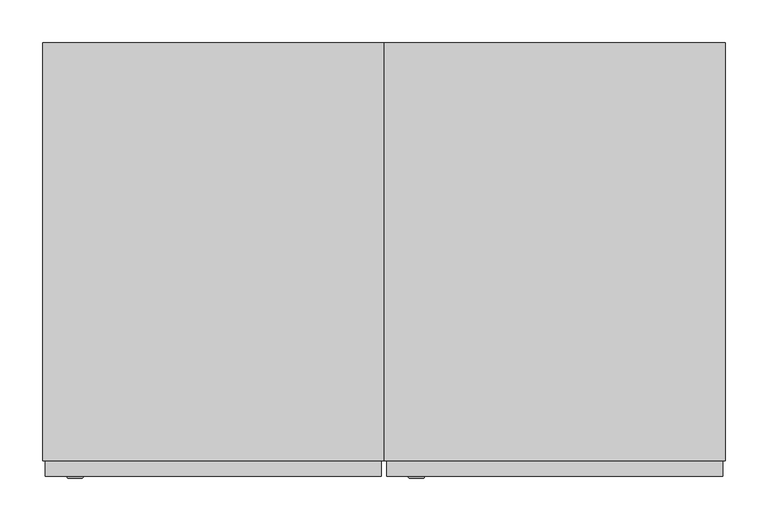
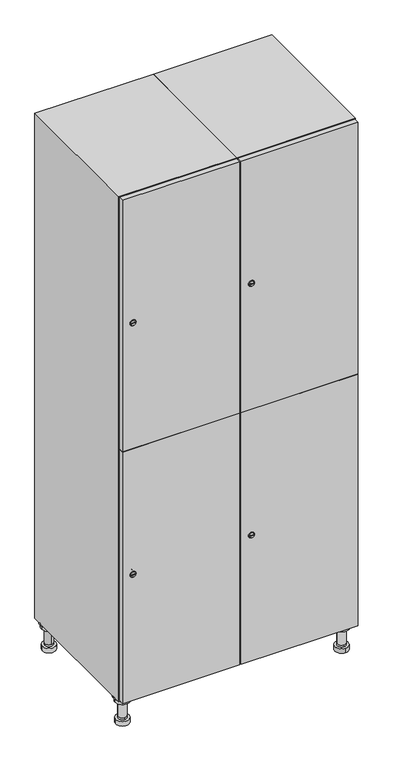
"""IFC4 building model written with IfcOpenShell, lengths in millimetres: furniture geometry."""

from ifc_helpers import new_model, si_unit, point, frame, frame_2d, origin, place, context, project, spatial, polyline, circle_curve, trimmed, segment, composite_curve, outline, extrude, faceted_brep, source, transform, mapped, element, save
from ifc_brep_helpers import plane_surface, cylinder_surface, revolved_surface, advanced_brep


def furniture_3b96239b(model_context):
    return source(origin(), model_context, "Body", "SolidModel", [
        advanced_brep(
        [(570.0, -201.0, 22.0), (570.0, -201.5, 16.0), (570.0, -228.5, 16.0), (570.0, -229.0, 22.0), (556.0, -215.0, 22.0), (584.0, -215.0, 22.0), (570.0, -192.5, 16.0), (570.0, -237.5, 16.0), (570.0, -192.5, 0.0), (570.0, -237.5, 0.0), (584.0, -215.0, 78.0), (556.0, -215.0, 78.0), (595.0, -215.0, 78.0), (545.0, -215.0, 78.0), (600.0, -215.0, 94.0), (540.0, -215.0, 94.0), (545.0, -215.0, 94.0), (595.0, -215.0, 94.0), (600.0, -215.0, 100.0), (540.0, -215.0, 100.0)],
        [
            (0, 1),
            (1, 2, circle_curve(frame((570.0, -215.0, 16.0), z_axis=(0.0, 0.0, 1.0), x_axis=(0.0, -1.0, 0.0)), 13.5)),
            (2, 3),
            (3, 4, circle_curve(frame((570.0, -215.0, 22.0), z_axis=(0.0, 0.0, -1.0), x_axis=(0.0, -1.0, 0.0)), 14.0)),
            (4, 0, circle_curve(frame((570.0, -215.0, 22.0), z_axis=(0.0, 0.0, -1.0), x_axis=(0.0, -1.0, 0.0)), 14.0)),
            (0, 5, circle_curve(frame((570.0, -215.0, 22.0), z_axis=(0.0, 0.0, -1.0), x_axis=(0.0, 1.0, 0.0)), 14.0)),
            (5, 3, circle_curve(frame((570.0, -215.0, 22.0), z_axis=(0.0, 0.0, -1.0), x_axis=(0.0, 1.0, 0.0)), 14.0)),
            (2, 1, circle_curve(frame((570.0, -215.0, 16.0), z_axis=(0.0, 0.0, 1.0), x_axis=(0.0, 1.0, 0.0)), 13.5)),
            (6, 7, circle_curve(frame((570.0, -215.0, 16.0), z_axis=(0.0, 0.0, 1.0), x_axis=(0.0, -1.0, 0.0)), 22.5)),
            (7, 6, circle_curve(frame((570.0, -215.0, 16.0), z_axis=(0.0, 0.0, 1.0), x_axis=(0.0, -1.0, 0.0)), 22.5)),
            (8, 9, circle_curve(frame((570.0, -215.0, 0.0), z_axis=(0.0, 0.0, -1.0), x_axis=(0.0, -1.0, 0.0)), 22.5)),
            (9, 8, circle_curve(frame((570.0, -215.0, 0.0), z_axis=(0.0, 0.0, -1.0), x_axis=(0.0, -1.0, 0.0)), 22.5)),
            (6, 8),
            (9, 7),
            (5, 10),
            (10, 11, circle_curve(frame((570.0, -215.0, 78.0), z_axis=(0.0, 0.0, -1.0), x_axis=(-1.0, 0.0, 0.0)), 14.0)),
            (11, 4),
            (11, 10, circle_curve(frame((570.0, -215.0, 78.0), z_axis=(0.0, 0.0, -1.0), x_axis=(-1.0, 0.0, 0.0)), 14.0)),
            (12, 13, circle_curve(frame((570.0, -215.0, 78.0), z_axis=(0.0, 0.0, -1.0), x_axis=(-1.0, 0.0, 0.0)), 25.0)),
            (13, 12, circle_curve(frame((570.0, -215.0, 78.0), z_axis=(0.0, 0.0, -1.0), x_axis=(-1.0, 0.0, 0.0)), 25.0)),
            (14, 15, circle_curve(frame((570.0, -215.0, 94.0), z_axis=(0.0, 0.0, -1.0), x_axis=(-1.0, 0.0, 0.0)), 30.0)),
            (15, 14, circle_curve(frame((570.0, -215.0, 94.0), z_axis=(0.0, 0.0, -1.0), x_axis=(-1.0, 0.0, 0.0)), 30.0)),
            (16, 17, circle_curve(frame((570.0, -215.0, 94.0), z_axis=(0.0, 0.0, 1.0), x_axis=(-1.0, 0.0, 0.0)), 25.0)),
            (17, 16, circle_curve(frame((570.0, -215.0, 94.0), z_axis=(0.0, 0.0, 1.0), x_axis=(-1.0, 0.0, 0.0)), 25.0)),
            (18, 19, circle_curve(frame((570.0, -215.0, 100.0), z_axis=(0.0, 0.0, 1.0), x_axis=(-1.0, 0.0, 0.0)), 30.0)),
            (19, 18, circle_curve(frame((570.0, -215.0, 100.0), z_axis=(0.0, 0.0, 1.0), x_axis=(-1.0, 0.0, 0.0)), 30.0)),
            (14, 18),
            (19, 15),
            (12, 17),
            (16, 13),
        ],
        [
            revolved_surface(polyline([(570.0, -201.5, 16.0), (570.0, -201.0, 22.0)]), (570.0, -215.0, -146.0), (0.0, 0.0, 1.0)),
            plane_surface(frame((570.0, 0.0, 16.0), z_axis=(0.0, 0.0, 1.0), x_axis=(0.0, -1.0, 0.0))),
            plane_surface(frame((570.0, 0.0, 0.0), z_axis=(0.0, 0.0, -1.0), x_axis=(0.0, -1.0, 0.0))),
            cylinder_surface(frame((570.0, -215.0, 16.0), z_axis=(0.0, 0.0, 1.0), x_axis=(0.0, -1.0, 0.0)), 22.5),
            cylinder_surface(frame((570.0, -215.0, 22.0), z_axis=(0.0, 0.0, -1.0), x_axis=(-1.0, 0.0, 0.0)), 14.0),
            plane_surface(frame((570.0, 0.0, 78.0), z_axis=(0.0, 0.0, -1.0), x_axis=(0.0, -1.0, 0.0))),
            plane_surface(frame((570.0, 0.0, 94.0), z_axis=(0.0, 0.0, -1.0), x_axis=(0.0, -1.0, 0.0))),
            plane_surface(frame((570.0, 0.0, 100.0), z_axis=(0.0, 0.0, 1.0), x_axis=(0.0, -1.0, 0.0))),
            cylinder_surface(frame((570.0, -215.0, 94.0), z_axis=(0.0, 0.0, -1.0), x_axis=(-1.0, 0.0, 0.0)), 30.0),
            cylinder_surface(frame((570.0, -215.0, 78.0), z_axis=(0.0, 0.0, -1.0), x_axis=(-1.0, 0.0, 0.0)), 25.0),
        ],
        [
            (0, [[1, 2, 3, 4, 5]]),
            (0, [[-1, 6, 7, -3, 8]]),
            (1, [[9, 10], [-2, -8]]),
            (2, [[11, 12]]),
            (3, [[-9, 13, -12, 14]]),
            (3, [[-10, -14, -11, -13]]),
            (4, [[15, 16, 17, -4, -7]]),
            (4, [[-15, -6, -5, -17, 18]]),
            (5, [[19, 20], [-16, -18]]),
            (6, [[21, 22], [23, 24]]),
            (7, [[25, 26]]),
            (8, [[-21, 27, -26, 28]]),
            (8, [[-22, -28, -25, -27]]),
            (9, [[-19, 29, -23, 30]]),
            (9, [[-20, -30, -24, -29]]),
        ],
    ),
        advanced_brep(
        [(-170.0, -201.0, 22.0), (-170.0, -201.5, 16.0), (-170.0, -228.5, 16.0), (-170.0, -229.0, 22.0), (-184.0, -215.0, 22.0), (-156.0, -215.0, 22.0), (-147.5, -215.0, 0.0), (-192.5, -215.0, 0.0), (-147.5, -215.0, 16.0), (-192.5, -215.0, 16.0), (-156.0, -215.0, 78.0), (-184.0, -215.0, 78.0), (-145.0, -215.0, 78.0), (-195.0, -215.0, 78.0), (-140.0, -215.0, 94.0), (-200.0, -215.0, 94.0), (-195.0, -215.0, 94.0), (-145.0, -215.0, 94.0), (-140.0, -215.0, 100.0), (-200.0, -215.0, 100.0)],
        [
            (0, 1),
            (1, 2, circle_curve(frame((-170.0, -215.0, 16.0), z_axis=(0.0, 0.0, 1.0), x_axis=(0.0, -1.0, 0.0)), 13.5)),
            (2, 3),
            (3, 4, circle_curve(frame((-170.0, -215.0, 22.0), z_axis=(0.0, 0.0, -1.0), x_axis=(0.0, -1.0, 0.0)), 14.0)),
            (4, 0, circle_curve(frame((-170.0, -215.0, 22.0), z_axis=(0.0, 0.0, -1.0), x_axis=(0.0, -1.0, 0.0)), 14.0)),
            (0, 5, circle_curve(frame((-170.0, -215.0, 22.0), z_axis=(0.0, 0.0, -1.0), x_axis=(0.0, 1.0, 0.0)), 14.0)),
            (5, 3, circle_curve(frame((-170.0, -215.0, 22.0), z_axis=(0.0, 0.0, -1.0), x_axis=(0.0, 1.0, 0.0)), 14.0)),
            (2, 1, circle_curve(frame((-170.0, -215.0, 16.0), z_axis=(0.0, 0.0, 1.0), x_axis=(0.0, 1.0, 0.0)), 13.5)),
            (6, 7, circle_curve(frame((-170.0, -215.0, 0.0), z_axis=(0.0, 0.0, -1.0), x_axis=(-1.0, 0.0, 0.0)), 22.5)),
            (7, 6, circle_curve(frame((-170.0, -215.0, 0.0), z_axis=(0.0, 0.0, -1.0), x_axis=(-1.0, 0.0, 0.0)), 22.5)),
            (8, 9, circle_curve(frame((-170.0, -215.0, 16.0), z_axis=(0.0, 0.0, 1.0), x_axis=(-1.0, 0.0, 0.0)), 22.5)),
            (9, 8, circle_curve(frame((-170.0, -215.0, 16.0), z_axis=(0.0, 0.0, 1.0), x_axis=(-1.0, 0.0, 0.0)), 22.5)),
            (6, 8),
            (9, 7),
            (5, 10),
            (10, 11, circle_curve(frame((-170.0, -215.0, 78.0), z_axis=(0.0, 0.0, -1.0), x_axis=(-1.0, 0.0, 0.0)), 14.0)),
            (11, 4),
            (11, 10, circle_curve(frame((-170.0, -215.0, 78.0), z_axis=(0.0, 0.0, -1.0), x_axis=(-1.0, 0.0, 0.0)), 14.0)),
            (12, 13, circle_curve(frame((-170.0, -215.0, 78.0), z_axis=(0.0, 0.0, -1.0), x_axis=(-1.0, 0.0, 0.0)), 25.0)),
            (13, 12, circle_curve(frame((-170.0, -215.0, 78.0), z_axis=(0.0, 0.0, -1.0), x_axis=(-1.0, 0.0, 0.0)), 25.0)),
            (14, 15, circle_curve(frame((-170.0, -215.0, 94.0), z_axis=(0.0, 0.0, -1.0), x_axis=(-1.0, 0.0, 0.0)), 30.0)),
            (15, 14, circle_curve(frame((-170.0, -215.0, 94.0), z_axis=(0.0, 0.0, -1.0), x_axis=(-1.0, 0.0, 0.0)), 30.0)),
            (16, 17, circle_curve(frame((-170.0, -215.0, 94.0), z_axis=(0.0, 0.0, 1.0), x_axis=(-1.0, 0.0, 0.0)), 25.0)),
            (17, 16, circle_curve(frame((-170.0, -215.0, 94.0), z_axis=(0.0, 0.0, 1.0), x_axis=(-1.0, 0.0, 0.0)), 25.0)),
            (18, 19, circle_curve(frame((-170.0, -215.0, 100.0), z_axis=(0.0, 0.0, 1.0), x_axis=(-1.0, 0.0, 0.0)), 30.0)),
            (19, 18, circle_curve(frame((-170.0, -215.0, 100.0), z_axis=(0.0, 0.0, 1.0), x_axis=(-1.0, 0.0, 0.0)), 30.0)),
            (14, 18),
            (19, 15),
            (12, 17),
            (16, 13),
        ],
        [
            revolved_surface(polyline([(-170.0, -201.5, 16.0), (-170.0, -201.0, 22.0)]), (-170.0, -215.0, -146.0), (0.0, 0.0, 1.0)),
            plane_surface(frame((-170.0, 0.0, 0.0), z_axis=(0.0, 0.0, -1.0), x_axis=(0.0, -1.0, 0.0))),
            plane_surface(frame((-170.0, 0.0, 16.0), z_axis=(0.0, 0.0, 1.0), x_axis=(0.0, -1.0, 0.0))),
            cylinder_surface(frame((-170.0, -215.0, 0.0), z_axis=(0.0, 0.0, -1.0), x_axis=(-1.0, 0.0, 0.0)), 22.5),
            cylinder_surface(frame((-170.0, -215.0, 22.0), z_axis=(0.0, 0.0, -1.0), x_axis=(-1.0, 0.0, 0.0)), 14.0),
            plane_surface(frame((-170.0, 0.0, 78.0), z_axis=(0.0, 0.0, -1.0), x_axis=(0.0, -1.0, 0.0))),
            plane_surface(frame((-170.0, 0.0, 94.0), z_axis=(0.0, 0.0, -1.0), x_axis=(0.0, -1.0, 0.0))),
            plane_surface(frame((-170.0, 0.0, 100.0), z_axis=(0.0, 0.0, 1.0), x_axis=(0.0, -1.0, 0.0))),
            cylinder_surface(frame((-170.0, -215.0, 94.0), z_axis=(0.0, 0.0, -1.0), x_axis=(-1.0, 0.0, 0.0)), 30.0),
            cylinder_surface(frame((-170.0, -215.0, 78.0), z_axis=(0.0, 0.0, -1.0), x_axis=(-1.0, 0.0, 0.0)), 25.0),
        ],
        [
            (0, [[1, 2, 3, 4, 5]]),
            (0, [[-1, 6, 7, -3, 8]]),
            (1, [[9, 10]]),
            (2, [[11, 12], [-2, -8]]),
            (3, [[-9, 13, -12, 14]]),
            (3, [[-10, -14, -11, -13]]),
            (4, [[15, 16, 17, -4, -7]]),
            (4, [[-15, -6, -5, -17, 18]]),
            (5, [[19, 20], [-16, -18]]),
            (6, [[21, 22], [23, 24]]),
            (7, [[25, 26]]),
            (8, [[-21, 27, -26, 28]]),
            (8, [[-22, -28, -25, -27]]),
            (9, [[-19, 29, -23, 30]]),
            (9, [[-20, -30, -24, -29]]),
        ],
    ),
        advanced_brep(
        [(583.5, 215.0, 16.0), (584.0, 215.0, 22.0), (556.0, 215.0, 22.0), (556.5, 215.0, 16.0), (592.5, 215.0, 0.0), (547.5, 215.0, 0.0), (592.5, 215.0, 16.0), (547.5, 215.0, 16.0), (584.0, 215.0, 78.0), (556.0, 215.0, 78.0), (595.0, 215.0, 78.0), (545.0, 215.0, 78.0), (600.0, 215.0, 94.0), (540.0, 215.0, 94.0), (545.0, 215.0, 94.0), (595.0, 215.0, 94.0), (600.0, 215.0, 100.0), (540.0, 215.0, 100.0)],
        [
            (0, 1),
            (1, 2, circle_curve(frame((570.0, 215.0, 22.0), z_axis=(0.0, 0.0, -1.0), x_axis=(-1.0, 0.0, 0.0)), 14.0)),
            (2, 3),
            (3, 0, circle_curve(frame((570.0, 215.0, 16.0), z_axis=(0.0, 0.0, 1.0), x_axis=(-1.0, 0.0, 0.0)), 13.5)),
            (0, 3, circle_curve(frame((570.0, 215.0, 16.0), z_axis=(0.0, 0.0, 1.0), x_axis=(1.0, 0.0, 0.0)), 13.5)),
            (2, 1, circle_curve(frame((570.0, 215.0, 22.0), z_axis=(0.0, 0.0, -1.0), x_axis=(1.0, 0.0, 0.0)), 14.0)),
            (4, 5, circle_curve(frame((570.0, 215.0, 0.0), z_axis=(0.0, 0.0, -1.0), x_axis=(-1.0, 0.0, 0.0)), 22.5)),
            (5, 4, circle_curve(frame((570.0, 215.0, 0.0), z_axis=(0.0, 0.0, -1.0), x_axis=(-1.0, 0.0, 0.0)), 22.5)),
            (6, 7, circle_curve(frame((570.0, 215.0, 16.0), z_axis=(0.0, 0.0, 1.0), x_axis=(-1.0, 0.0, 0.0)), 22.5)),
            (7, 6, circle_curve(frame((570.0, 215.0, 16.0), z_axis=(0.0, 0.0, 1.0), x_axis=(-1.0, 0.0, 0.0)), 22.5)),
            (4, 6),
            (7, 5),
            (1, 8),
            (8, 9, circle_curve(frame((570.0, 215.0, 78.0), z_axis=(0.0, 0.0, -1.0), x_axis=(-1.0, 0.0, 0.0)), 14.0)),
            (9, 2),
            (9, 8, circle_curve(frame((570.0, 215.0, 78.0), z_axis=(0.0, 0.0, -1.0), x_axis=(-1.0, 0.0, 0.0)), 14.0)),
            (10, 11, circle_curve(frame((570.0, 215.0, 78.0), z_axis=(0.0, 0.0, -1.0), x_axis=(-1.0, 0.0, 0.0)), 25.0)),
            (11, 10, circle_curve(frame((570.0, 215.0, 78.0), z_axis=(0.0, 0.0, -1.0), x_axis=(-1.0, 0.0, 0.0)), 25.0)),
            (12, 13, circle_curve(frame((570.0, 215.0, 94.0), z_axis=(0.0, 0.0, -1.0), x_axis=(-1.0, 0.0, 0.0)), 30.0)),
            (13, 12, circle_curve(frame((570.0, 215.0, 94.0), z_axis=(0.0, 0.0, -1.0), x_axis=(-1.0, 0.0, 0.0)), 30.0)),
            (14, 15, circle_curve(frame((570.0, 215.0, 94.0), z_axis=(0.0, 0.0, 1.0), x_axis=(-1.0, 0.0, 0.0)), 25.0)),
            (15, 14, circle_curve(frame((570.0, 215.0, 94.0), z_axis=(0.0, 0.0, 1.0), x_axis=(-1.0, 0.0, 0.0)), 25.0)),
            (16, 17, circle_curve(frame((570.0, 215.0, 100.0), z_axis=(0.0, 0.0, 1.0), x_axis=(-1.0, 0.0, 0.0)), 30.0)),
            (17, 16, circle_curve(frame((570.0, 215.0, 100.0), z_axis=(0.0, 0.0, 1.0), x_axis=(-1.0, 0.0, 0.0)), 30.0)),
            (12, 16),
            (17, 13),
            (10, 15),
            (14, 11),
        ],
        [
            revolved_surface(polyline([(583.5, 215.0, 16.0), (584.0, 215.0, 22.0)]), (570.0, 215.0, -146.0), (0.0, 0.0, 1.0)),
            plane_surface(frame((570.0, 0.0, 0.0), z_axis=(0.0, 0.0, -1.0), x_axis=(0.0, -1.0, 0.0))),
            plane_surface(frame((570.0, 0.0, 16.0), z_axis=(0.0, 0.0, 1.0), x_axis=(0.0, -1.0, 0.0))),
            cylinder_surface(frame((570.0, 215.0, 0.0), z_axis=(0.0, 0.0, -1.0), x_axis=(-1.0, 0.0, 0.0)), 22.5),
            cylinder_surface(frame((570.0, 215.0, 22.0), z_axis=(0.0, 0.0, -1.0), x_axis=(-1.0, 0.0, 0.0)), 14.0),
            plane_surface(frame((570.0, 0.0, 78.0), z_axis=(0.0, 0.0, -1.0), x_axis=(0.0, -1.0, 0.0))),
            plane_surface(frame((570.0, 0.0, 94.0), z_axis=(0.0, 0.0, -1.0), x_axis=(0.0, -1.0, 0.0))),
            plane_surface(frame((570.0, 0.0, 100.0), z_axis=(0.0, 0.0, 1.0), x_axis=(0.0, -1.0, 0.0))),
            cylinder_surface(frame((570.0, 215.0, 94.0), z_axis=(0.0, 0.0, -1.0), x_axis=(-1.0, 0.0, 0.0)), 30.0),
            cylinder_surface(frame((570.0, 215.0, 78.0), z_axis=(0.0, 0.0, -1.0), x_axis=(-1.0, 0.0, 0.0)), 25.0),
        ],
        [
            (0, [[1, 2, 3, 4]]),
            (0, [[-1, 5, -3, 6]]),
            (1, [[7, 8]]),
            (2, [[9, 10], [-4, -5]]),
            (3, [[-7, 11, -10, 12]]),
            (3, [[-8, -12, -9, -11]]),
            (4, [[13, 14, 15, -2]]),
            (4, [[-13, -6, -15, 16]]),
            (5, [[17, 18], [-14, -16]]),
            (6, [[19, 20], [21, 22]]),
            (7, [[23, 24]]),
            (8, [[-19, 25, -24, 26]]),
            (8, [[-20, -26, -23, -25]]),
            (9, [[-17, 27, -21, 28]]),
            (9, [[-18, -28, -22, -27]]),
        ],
    ),
        advanced_brep(
        [(-156.5, 215.0, 16.0), (-156.0, 215.0, 22.0), (-170.0, 201.0, 22.0), (-184.0, 215.0, 22.0), (-183.5, 215.0, 16.0), (-170.0, 229.0, 22.0), (-147.5, 215.0, 0.0), (-192.5, 215.0, 0.0), (-147.5, 215.0, 16.0), (-192.5, 215.0, 16.0), (-170.0, 229.0, 78.0), (-170.0, 201.0, 78.0), (-145.0, 215.0, 78.0), (-195.0, 215.0, 78.0), (-140.0, 215.0, 94.0), (-200.0, 215.0, 94.0), (-195.0, 215.0, 94.0), (-145.0, 215.0, 94.0), (-140.0, 215.0, 100.0), (-200.0, 215.0, 100.0)],
        [
            (0, 1),
            (1, 2, circle_curve(frame((-170.0, 215.0, 22.0), z_axis=(0.0, 0.0, -1.0), x_axis=(-1.0, 0.0, 0.0)), 14.0)),
            (2, 3, circle_curve(frame((-170.0, 215.0, 22.0), z_axis=(0.0, 0.0, -1.0), x_axis=(-1.0, 0.0, 0.0)), 14.0)),
            (3, 4),
            (4, 0, circle_curve(frame((-170.0, 215.0, 16.0), z_axis=(0.0, 0.0, 1.0), x_axis=(-1.0, 0.0, 0.0)), 13.5)),
            (0, 4, circle_curve(frame((-170.0, 215.0, 16.0), z_axis=(0.0, 0.0, 1.0), x_axis=(1.0, 0.0, 0.0)), 13.5)),
            (3, 5, circle_curve(frame((-170.0, 215.0, 22.0), z_axis=(0.0, 0.0, -1.0), x_axis=(1.0, 0.0, 0.0)), 14.0)),
            (5, 1, circle_curve(frame((-170.0, 215.0, 22.0), z_axis=(0.0, 0.0, -1.0), x_axis=(1.0, 0.0, 0.0)), 14.0)),
            (6, 7, circle_curve(frame((-170.0, 215.0, 0.0), z_axis=(0.0, 0.0, -1.0), x_axis=(-1.0, 0.0, 0.0)), 22.5)),
            (7, 6, circle_curve(frame((-170.0, 215.0, 0.0), z_axis=(0.0, 0.0, -1.0), x_axis=(-1.0, 0.0, 0.0)), 22.5)),
            (8, 9, circle_curve(frame((-170.0, 215.0, 16.0), z_axis=(0.0, 0.0, 1.0), x_axis=(-1.0, 0.0, 0.0)), 22.5)),
            (9, 8, circle_curve(frame((-170.0, 215.0, 16.0), z_axis=(0.0, 0.0, 1.0), x_axis=(-1.0, 0.0, 0.0)), 22.5)),
            (6, 8),
            (9, 7),
            (10, 5),
            (2, 11),
            (11, 10, circle_curve(frame((-170.0, 215.0, 78.0), z_axis=(0.0, 0.0, -1.0), x_axis=(0.0, -1.0, 0.0)), 14.0)),
            (10, 11, circle_curve(frame((-170.0, 215.0, 78.0), z_axis=(0.0, 0.0, -1.0), x_axis=(0.0, -1.0, 0.0)), 14.0)),
            (12, 13, circle_curve(frame((-170.0, 215.0, 78.0), z_axis=(0.0, 0.0, -1.0), x_axis=(-1.0, 0.0, 0.0)), 25.0)),
            (13, 12, circle_curve(frame((-170.0, 215.0, 78.0), z_axis=(0.0, 0.0, -1.0), x_axis=(-1.0, 0.0, 0.0)), 25.0)),
            (14, 15, circle_curve(frame((-170.0, 215.0, 94.0), z_axis=(0.0, 0.0, -1.0), x_axis=(-1.0, 0.0, 0.0)), 30.0)),
            (15, 14, circle_curve(frame((-170.0, 215.0, 94.0), z_axis=(0.0, 0.0, -1.0), x_axis=(-1.0, 0.0, 0.0)), 30.0)),
            (16, 17, circle_curve(frame((-170.0, 215.0, 94.0), z_axis=(0.0, 0.0, 1.0), x_axis=(-1.0, 0.0, 0.0)), 25.0)),
            (17, 16, circle_curve(frame((-170.0, 215.0, 94.0), z_axis=(0.0, 0.0, 1.0), x_axis=(-1.0, 0.0, 0.0)), 25.0)),
            (18, 19, circle_curve(frame((-170.0, 215.0, 100.0), z_axis=(0.0, 0.0, 1.0), x_axis=(-1.0, 0.0, 0.0)), 30.0)),
            (19, 18, circle_curve(frame((-170.0, 215.0, 100.0), z_axis=(0.0, 0.0, 1.0), x_axis=(-1.0, 0.0, 0.0)), 30.0)),
            (14, 18),
            (19, 15),
            (12, 17),
            (16, 13),
        ],
        [
            revolved_surface(polyline([(-156.5, 215.0, 16.0), (-156.0, 215.0, 22.0)]), (-170.0, 215.0, -146.0), (0.0, 0.0, 1.0)),
            plane_surface(frame((-170.0, 0.0, 0.0), z_axis=(0.0, 0.0, -1.0), x_axis=(0.0, -1.0, 0.0))),
            plane_surface(frame((-170.0, 0.0, 16.0), z_axis=(0.0, 0.0, 1.0), x_axis=(0.0, -1.0, 0.0))),
            cylinder_surface(frame((-170.0, 215.0, 0.0), z_axis=(0.0, 0.0, -1.0), x_axis=(-1.0, 0.0, 0.0)), 22.5),
            cylinder_surface(frame((-170.0, 215.0, 78.0), z_axis=(0.0, 0.0, 1.0), x_axis=(0.0, -1.0, 0.0)), 14.0),
            plane_surface(frame((-170.0, 0.0, 78.0), z_axis=(0.0, 0.0, -1.0), x_axis=(0.0, -1.0, 0.0))),
            plane_surface(frame((-170.0, 0.0, 94.0), z_axis=(0.0, 0.0, -1.0), x_axis=(0.0, -1.0, 0.0))),
            plane_surface(frame((-170.0, 0.0, 100.0), z_axis=(0.0, 0.0, 1.0), x_axis=(0.0, -1.0, 0.0))),
            cylinder_surface(frame((-170.0, 215.0, 94.0), z_axis=(0.0, 0.0, -1.0), x_axis=(-1.0, 0.0, 0.0)), 30.0),
            cylinder_surface(frame((-170.0, 215.0, 78.0), z_axis=(0.0, 0.0, -1.0), x_axis=(-1.0, 0.0, 0.0)), 25.0),
        ],
        [
            (0, [[1, 2, 3, 4, 5]]),
            (0, [[-1, 6, -4, 7, 8]]),
            (1, [[9, 10]]),
            (2, [[11, 12], [-5, -6]]),
            (3, [[-9, 13, -12, 14]]),
            (3, [[-10, -14, -11, -13]]),
            (4, [[15, -7, -3, 16, 17]]),
            (4, [[-15, 18, -16, -2, -8]]),
            (5, [[19, 20], [-17, -18]]),
            (6, [[21, 22], [23, 24]]),
            (7, [[25, 26]]),
            (8, [[-21, 27, -26, 28]]),
            (8, [[-22, -28, -25, -27]]),
            (9, [[-19, 29, -23, 30]]),
            (9, [[-20, -30, -24, -29]]),
        ],
    ),
        extrude(outline(composite_curve([segment(trimmed(circle_curve(frame_2d((551.5, 211.2010534)), 7.0), [point((558.5, 211.2010534))], [point((544.5, 211.2010534))], False, "CARTESIAN"), True, "CONTINUOUS"), segment(polyline([(544.5, 211.2010534), (544.5, 239.2010534)]), True, "CONTINUOUS"), segment(trimmed(circle_curve(frame_2d((551.5, 239.2010534)), 7.0), [point((544.5, 239.2010534))], [point((558.5, 239.2010534))], False, "CARTESIAN"), True, "CONTINUOUS"), segment(polyline([(558.5, 239.2010534), (558.5, 211.2010534)]), True, "CONTINUOUS")], self_intersect=False)), frame((0.0, -245.0, 0.0), z_axis=(0.0, 1.0, 0.0), x_axis=(0.0, 0.0, 1.0)), (0.0, 0.0, 1.0), 2.0),
        advanced_brep(
        [(246.5, -265.2, 551.5), (229.5, -265.2, 551.5), (233.0, -265.2, 550.25), (233.0, -265.2, 552.75), (243.0, -265.2, 552.75), (243.0, -265.2, 550.25), (248.5, -263.0, 551.5), (227.5, -263.0, 551.5), (233.0, -263.0, 552.75), (233.0, -263.0, 550.25), (243.0, -263.0, 550.25), (243.0, -263.0, 552.75)],
        [
            (0, 1, circle_curve(frame((238.0, -265.2, 551.5), z_axis=(0.0, -1.0, 0.0), x_axis=(1.0, 0.0, 0.0)), 8.5)),
            (1, 0, circle_curve(frame((238.0, -265.2, 551.5), z_axis=(0.0, -1.0, 0.0), x_axis=(-1.0, 0.0, 0.0)), 8.5)),
            (2, 3),
            (3, 4),
            (4, 5),
            (5, 2),
            (6, 7, circle_curve(frame((238.0, -263.0, 551.5), z_axis=(0.0, 1.0, 0.0), x_axis=(-1.0, 0.0, 0.0)), 10.5)),
            (7, 6, circle_curve(frame((238.0, -263.0, 551.5), z_axis=(0.0, 1.0, 0.0), x_axis=(1.0, 0.0, 0.0)), 10.5)),
            (8, 9),
            (9, 10),
            (10, 11),
            (11, 8),
            (0, 6),
            (7, 1),
            (8, 3),
            (2, 9),
            (11, 4),
            (10, 5),
        ],
        [
            plane_surface(frame((238.0, -265.2, 551.5), z_axis=(0.0, -1.0, 0.0), x_axis=(0.0, 0.0, 1.0))),
            plane_surface(frame((238.0, -263.0, 551.5), z_axis=(0.0, 1.0, 0.0), x_axis=(0.0, 0.0, 1.0))),
            revolved_surface(polyline([(246.5, -265.2, 551.5), (248.5, -263.0, 551.5)]), (238.0, -274.55, 551.5), (0.0, 1.0, 0.0)),
            revolved_surface(polyline([(229.5, -265.2, 551.5), (227.5, -263.0, 551.5)]), (238.0, -274.55, 551.5), (0.0, 1.0, 0.0)),
            plane_surface(frame((233.0, -263.0, 550.25), z_axis=(1.0, 0.0, 0.0), x_axis=(0.0, -1.0, 0.0))),
            plane_surface(frame((233.0, -263.0, 552.75), z_axis=(0.0, 0.0, -1.0), x_axis=(0.0, -1.0, 0.0))),
            plane_surface(frame((243.0, -263.0, 552.75), z_axis=(-1.0, 0.0, 0.0), x_axis=(0.0, -1.0, 0.0))),
            plane_surface(frame((243.0, -263.0, 550.25), z_axis=(0.0, 0.0, 1.0), x_axis=(0.0, -1.0, 0.0))),
        ],
        [
            (0, [[1, 2], [3, 4, 5, 6]]),
            (1, [[7, 8], [9, 10, 11, 12]]),
            (2, [[-1, 13, -8, 14]]),
            (3, [[-2, -14, -7, -13]]),
            (4, [[15, -3, 16, -9]]),
            (5, [[-15, -12, 17, -4]]),
            (6, [[-17, -11, 18, -5]]),
            (7, [[-16, -6, -18, -10]]),
        ],
    ),
        extrude(outline(composite_curve([segment(trimmed(circle_curve(frame_2d((1448.5, 211.2010534)), 7.0), [point((1455.5, 211.2010534))], [point((1441.5, 211.2010534))], False, "CARTESIAN"), True, "CONTINUOUS"), segment(polyline([(1441.5, 211.2010534), (1441.5, 239.2010534)]), True, "CONTINUOUS"), segment(trimmed(circle_curve(frame_2d((1448.5, 239.2010534)), 7.0), [point((1441.5, 239.2010534))], [point((1455.5, 239.2010534))], False, "CARTESIAN"), True, "CONTINUOUS"), segment(polyline([(1455.5, 239.2010534), (1455.5, 211.2010534)]), True, "CONTINUOUS")], self_intersect=False)), frame((0.0, -245.0, 0.0), z_axis=(0.0, 1.0, 0.0), x_axis=(0.0, 0.0, 1.0)), (0.0, 0.0, 1.0), 2.0),
        advanced_brep(
        [(246.5, -265.2, 1448.5), (229.5, -265.2, 1448.5), (233.0, -265.2, 1447.25), (233.0, -265.2, 1449.75), (243.0, -265.2, 1449.75), (243.0, -265.2, 1447.25), (248.5, -263.0, 1448.5), (227.5, -263.0, 1448.5), (233.0, -263.0, 1449.75), (233.0, -263.0, 1447.25), (243.0, -263.0, 1447.25), (243.0, -263.0, 1449.75)],
        [
            (0, 1, circle_curve(frame((238.0, -265.2, 1448.5), z_axis=(0.0, -1.0, 0.0), x_axis=(1.0, 0.0, 0.0)), 8.5)),
            (1, 0, circle_curve(frame((238.0, -265.2, 1448.5), z_axis=(0.0, -1.0, 0.0), x_axis=(-1.0, 0.0, 0.0)), 8.5)),
            (2, 3),
            (3, 4),
            (4, 5),
            (5, 2),
            (6, 7, circle_curve(frame((238.0, -263.0, 1448.5), z_axis=(0.0, 1.0, 0.0), x_axis=(-1.0, 0.0, 0.0)), 10.5)),
            (7, 6, circle_curve(frame((238.0, -263.0, 1448.5), z_axis=(0.0, 1.0, 0.0), x_axis=(1.0, 0.0, 0.0)), 10.5)),
            (8, 9),
            (9, 10),
            (10, 11),
            (11, 8),
            (0, 6),
            (7, 1),
            (8, 3),
            (2, 9),
            (11, 4),
            (10, 5),
        ],
        [
            plane_surface(frame((238.0, -265.2, 1448.5), z_axis=(0.0, -1.0, 0.0), x_axis=(0.0, 0.0, 1.0))),
            plane_surface(frame((238.0, -263.0, 1448.5), z_axis=(0.0, 1.0, 0.0), x_axis=(0.0, 0.0, 1.0))),
            revolved_surface(polyline([(246.5, -265.2, 1448.5), (248.5, -263.0, 1448.5)]), (238.0, -274.55, 1448.5), (0.0, 1.0, 0.0)),
            revolved_surface(polyline([(229.5, -265.2, 1448.5), (227.5, -263.0, 1448.5)]), (238.0, -274.55, 1448.5), (0.0, 1.0, 0.0)),
            plane_surface(frame((233.0, -263.0, 1447.25), z_axis=(1.0, 0.0, 0.0), x_axis=(0.0, -1.0, 0.0))),
            plane_surface(frame((233.0, -263.0, 1449.75), z_axis=(0.0, 0.0, -1.0), x_axis=(0.0, -1.0, 0.0))),
            plane_surface(frame((243.0, -263.0, 1449.75), z_axis=(-1.0, 0.0, 0.0), x_axis=(0.0, -1.0, 0.0))),
            plane_surface(frame((243.0, -263.0, 1447.25), z_axis=(0.0, 0.0, 1.0), x_axis=(0.0, -1.0, 0.0))),
        ],
        [
            (0, [[1, 2], [3, 4, 5, 6]]),
            (1, [[7, 8], [9, 10, 11, 12]]),
            (2, [[-1, 13, -8, 14]]),
            (3, [[-2, -14, -7, -13]]),
            (4, [[15, -3, 16, -9]]),
            (5, [[-15, -12, 17, -4]]),
            (6, [[-17, -11, 18, -5]]),
            (7, [[-16, -6, -18, -10]]),
        ],
    ),
        extrude(outline(polyline([(203.0, -263.0), (203.0, -245.0), (597.0, -245.0), (597.0, -263.0), (203.0, -263.0)])), frame((0.0, 0.0, 103.0), z_axis=(0.0, 0.0, 1.0), x_axis=(1.0, 0.0, 0.0)), (0.0, 0.0, 1.0), 896.5),
        extrude(outline(polyline([(597.0, -245.0), (597.0, -263.0), (203.0, -263.0), (203.0, -245.0), (597.0, -245.0)])), frame((0.0, 0.0, 1000.5), z_axis=(0.0, 0.0, 1.0), x_axis=(1.0, 0.0, 0.0)), (0.0, 0.0, 1.0), 896.5),
        extrude(outline(polyline([(582.0, 227.0), (582.0, -227.0), (218.0, -227.0), (218.0, 227.0), (582.0, 227.0)])), frame((0.0, 0.0, 991.0), z_axis=(0.0, 0.0, 1.0), x_axis=(1.0, 0.0, 0.0)), (0.0, 0.0, 1.0), 18.0),
        faceted_brep([(600.0, -245.0, 100.0), (600.0, -245.0, 1900.0), (200.0, -245.0, 1900.0), (200.0, -245.0, 100.0), (582.0, -245.0, 1882.0), (582.0, -245.0, 118.0), (218.0, -245.0, 118.0), (218.0, -245.0, 1882.0), (600.0, 245.0, 100.0), (200.0, 245.0, 100.0), (600.0, 245.0, 1900.0), (200.0, 245.0, 1900.0), (582.0, 227.0, 1882.0), (582.0, 227.0, 118.0), (200.0, 245.0, 1882.0), (218.0, 227.0, 1882.0), (218.0, 227.0, 118.0)], [[[0, 1, 2, 3], [4, 5, 6, 7]], [[8, 0, 3, 9]], [[1, 0, 8, 10]], [[1, 10, 11, 2]], [[4, 12, 13, 5]], [[9, 3, 2, 11, 14]], [[10, 8, 9, 14, 11]], [[12, 15, 16, 13]], [[15, 7, 6, 16]], [[4, 7, 15, 12]], [[6, 5, 13, 16]]]),
        extrude(outline(composite_curve([segment(trimmed(circle_curve(frame_2d((551.5, -188.7989466)), 7.0), [point((558.5, -188.7989466))], [point((544.5, -188.7989466))], False, "CARTESIAN"), True, "CONTINUOUS"), segment(polyline([(544.5, -188.7989466), (544.5, -160.7989466)]), True, "CONTINUOUS"), segment(trimmed(circle_curve(frame_2d((551.5, -160.7989466)), 7.0), [point((544.5, -160.7989466))], [point((558.5, -160.7989466))], False, "CARTESIAN"), True, "CONTINUOUS"), segment(polyline([(558.5, -160.7989466), (558.5, -188.7989466)]), True, "CONTINUOUS")], self_intersect=False)), frame((0.0, -245.0, 0.0), z_axis=(0.0, 1.0, 0.0), x_axis=(0.0, 0.0, 1.0)), (0.0, 0.0, 1.0), 2.0),
        advanced_brep(
        [(-153.5, -265.2, 551.5), (-170.5, -265.2, 551.5), (-167.0, -265.2, 550.25), (-167.0, -265.2, 552.75), (-157.0, -265.2, 552.75), (-157.0, -265.2, 550.25), (-151.5, -263.0, 551.5), (-172.5, -263.0, 551.5), (-167.0, -263.0, 552.75), (-167.0, -263.0, 550.25), (-157.0, -263.0, 550.25), (-157.0, -263.0, 552.75)],
        [
            (0, 1, circle_curve(frame((-162.0, -265.2, 551.5), z_axis=(0.0, -1.0, 0.0), x_axis=(1.0, 0.0, 0.0)), 8.5)),
            (1, 0, circle_curve(frame((-162.0, -265.2, 551.5), z_axis=(0.0, -1.0, 0.0), x_axis=(-1.0, 0.0, 0.0)), 8.5)),
            (2, 3),
            (3, 4),
            (4, 5),
            (5, 2),
            (6, 7, circle_curve(frame((-162.0, -263.0, 551.5), z_axis=(0.0, 1.0, 0.0), x_axis=(-1.0, 0.0, 0.0)), 10.5)),
            (7, 6, circle_curve(frame((-162.0, -263.0, 551.5), z_axis=(0.0, 1.0, 0.0), x_axis=(1.0, 0.0, 0.0)), 10.5)),
            (8, 9),
            (9, 10),
            (10, 11),
            (11, 8),
            (0, 6),
            (7, 1),
            (8, 3),
            (2, 9),
            (11, 4),
            (10, 5),
        ],
        [
            plane_surface(frame((-162.0, -265.2, 551.5), z_axis=(0.0, -1.0, 0.0), x_axis=(0.0, 0.0, 1.0))),
            plane_surface(frame((-162.0, -263.0, 551.5), z_axis=(0.0, 1.0, 0.0), x_axis=(0.0, 0.0, 1.0))),
            revolved_surface(polyline([(-153.5, -265.2, 551.5), (-151.5, -263.0, 551.5)]), (-162.0, -274.55, 551.5), (0.0, 1.0, 0.0)),
            revolved_surface(polyline([(-170.5, -265.2, 551.5), (-172.5, -263.0, 551.5)]), (-162.0, -274.55, 551.5), (0.0, 1.0, 0.0)),
            plane_surface(frame((-167.0, -263.0, 550.25), z_axis=(1.0, 0.0, 0.0), x_axis=(0.0, -1.0, 0.0))),
            plane_surface(frame((-167.0, -263.0, 552.75), z_axis=(0.0, 0.0, -1.0), x_axis=(0.0, -1.0, 0.0))),
            plane_surface(frame((-157.0, -263.0, 552.75), z_axis=(-1.0, 0.0, 0.0), x_axis=(0.0, -1.0, 0.0))),
            plane_surface(frame((-157.0, -263.0, 550.25), z_axis=(0.0, 0.0, 1.0), x_axis=(0.0, -1.0, 0.0))),
        ],
        [
            (0, [[1, 2], [3, 4, 5, 6]]),
            (1, [[7, 8], [9, 10, 11, 12]]),
            (2, [[-1, 13, -8, 14]]),
            (3, [[-2, -14, -7, -13]]),
            (4, [[15, -3, 16, -9]]),
            (5, [[-15, -12, 17, -4]]),
            (6, [[-17, -11, 18, -5]]),
            (7, [[-16, -6, -18, -10]]),
        ],
    ),
        extrude(outline(composite_curve([segment(trimmed(circle_curve(frame_2d((1448.5, -188.7989466)), 7.0), [point((1455.5, -188.7989466))], [point((1441.5, -188.7989466))], False, "CARTESIAN"), True, "CONTINUOUS"), segment(polyline([(1441.5, -188.7989466), (1441.5, -160.7989466)]), True, "CONTINUOUS"), segment(trimmed(circle_curve(frame_2d((1448.5, -160.7989466)), 7.0), [point((1441.5, -160.7989466))], [point((1455.5, -160.7989466))], False, "CARTESIAN"), True, "CONTINUOUS"), segment(polyline([(1455.5, -160.7989466), (1455.5, -188.7989466)]), True, "CONTINUOUS")], self_intersect=False)), frame((0.0, -245.0, 0.0), z_axis=(0.0, 1.0, 0.0), x_axis=(0.0, 0.0, 1.0)), (0.0, 0.0, 1.0), 2.0),
        advanced_brep(
        [(-153.5, -265.2, 1448.5), (-170.5, -265.2, 1448.5), (-167.0, -265.2, 1447.25), (-167.0, -265.2, 1449.75), (-157.0, -265.2, 1449.75), (-157.0, -265.2, 1447.25), (-151.5, -263.0, 1448.5), (-172.5, -263.0, 1448.5), (-167.0, -263.0, 1449.75), (-167.0, -263.0, 1447.25), (-157.0, -263.0, 1447.25), (-157.0, -263.0, 1449.75)],
        [
            (0, 1, circle_curve(frame((-162.0, -265.2, 1448.5), z_axis=(0.0, -1.0, 0.0), x_axis=(1.0, 0.0, 0.0)), 8.5)),
            (1, 0, circle_curve(frame((-162.0, -265.2, 1448.5), z_axis=(0.0, -1.0, 0.0), x_axis=(-1.0, 0.0, 0.0)), 8.5)),
            (2, 3),
            (3, 4),
            (4, 5),
            (5, 2),
            (6, 7, circle_curve(frame((-162.0, -263.0, 1448.5), z_axis=(0.0, 1.0, 0.0), x_axis=(-1.0, 0.0, 0.0)), 10.5)),
            (7, 6, circle_curve(frame((-162.0, -263.0, 1448.5), z_axis=(0.0, 1.0, 0.0), x_axis=(1.0, 0.0, 0.0)), 10.5)),
            (8, 9),
            (9, 10),
            (10, 11),
            (11, 8),
            (0, 6),
            (7, 1),
            (8, 3),
            (2, 9),
            (11, 4),
            (10, 5),
        ],
        [
            plane_surface(frame((-162.0, -265.2, 1448.5), z_axis=(0.0, -1.0, 0.0), x_axis=(0.0, 0.0, 1.0))),
            plane_surface(frame((-162.0, -263.0, 1448.5), z_axis=(0.0, 1.0, 0.0), x_axis=(0.0, 0.0, 1.0))),
            revolved_surface(polyline([(-153.5, -265.2, 1448.5), (-151.5, -263.0, 1448.5)]), (-162.0, -274.55, 1448.5), (0.0, 1.0, 0.0)),
            revolved_surface(polyline([(-170.5, -265.2, 1448.5), (-172.5, -263.0, 1448.5)]), (-162.0, -274.55, 1448.5), (0.0, 1.0, 0.0)),
            plane_surface(frame((-167.0, -263.0, 1447.25), z_axis=(1.0, 0.0, 0.0), x_axis=(0.0, -1.0, 0.0))),
            plane_surface(frame((-167.0, -263.0, 1449.75), z_axis=(0.0, 0.0, -1.0), x_axis=(0.0, -1.0, 0.0))),
            plane_surface(frame((-157.0, -263.0, 1449.75), z_axis=(-1.0, 0.0, 0.0), x_axis=(0.0, -1.0, 0.0))),
            plane_surface(frame((-157.0, -263.0, 1447.25), z_axis=(0.0, 0.0, 1.0), x_axis=(0.0, -1.0, 0.0))),
        ],
        [
            (0, [[1, 2], [3, 4, 5, 6]]),
            (1, [[7, 8], [9, 10, 11, 12]]),
            (2, [[-1, 13, -8, 14]]),
            (3, [[-2, -14, -7, -13]]),
            (4, [[15, -3, 16, -9]]),
            (5, [[-15, -12, 17, -4]]),
            (6, [[-17, -11, 18, -5]]),
            (7, [[-16, -6, -18, -10]]),
        ],
    ),
        extrude(outline(polyline([(-197.0, -263.0), (-197.0, -245.0), (197.0, -245.0), (197.0, -263.0), (-197.0, -263.0)])), frame((0.0, 0.0, 103.0), z_axis=(0.0, 0.0, 1.0), x_axis=(1.0, 0.0, 0.0)), (0.0, 0.0, 1.0), 896.5),
        extrude(outline(polyline([(197.0, -245.0), (197.0, -263.0), (-197.0, -263.0), (-197.0, -245.0), (197.0, -245.0)])), frame((0.0, 0.0, 1000.5), z_axis=(0.0, 0.0, 1.0), x_axis=(1.0, 0.0, 0.0)), (0.0, 0.0, 1.0), 896.5),
        extrude(outline(polyline([(182.0, 227.0), (182.0, -227.0), (-182.0, -227.0), (-182.0, 227.0), (182.0, 227.0)])), frame((0.0, 0.0, 991.0), z_axis=(0.0, 0.0, 1.0), x_axis=(1.0, 0.0, 0.0)), (0.0, 0.0, 1.0), 18.0),
        faceted_brep([(200.0, -245.0, 100.0), (200.0, -245.0, 1900.0), (-200.0, -245.0, 1900.0), (-200.0, -245.0, 100.0), (182.0, -245.0, 1882.0), (182.0, -245.0, 118.0), (-182.0, -245.0, 118.0), (-182.0, -245.0, 1882.0), (200.0, 245.0, 100.0), (-200.0, 245.0, 100.0), (200.0, 245.0, 1900.0), (-200.0, 245.0, 1900.0), (182.0, 227.0, 1882.0), (182.0, 227.0, 118.0), (-200.0, 245.0, 1882.0), (-182.0, 227.0, 1882.0), (-182.0, 227.0, 118.0)], [[[0, 1, 2, 3], [4, 5, 6, 7]], [[8, 0, 3, 9]], [[1, 0, 8, 10]], [[1, 10, 11, 2]], [[4, 12, 13, 5]], [[9, 3, 2, 11, 14]], [[10, 8, 9, 14, 11]], [[12, 15, 16, 13]], [[15, 7, 6, 16]], [[4, 7, 15, 12]], [[6, 5, 13, 16]]]),
    ])


if __name__ == "__main__":
    model = new_model("IFC4")
    model_context = context("Model", 3, world=origin())
    ifc_project = project(units=[si_unit("LENGTHUNIT", "METRE", prefix="MILLI")], contexts=[model_context])
    site = spatial("IfcSite", under=ifc_project)
    building = spatial("IfcBuilding", under=site)
    placement = place(None, origin())
    furniture_shape = furniture_3b96239b(model_context)
    element("IfcFurniture", 1, at=placement, inside=building, context=model_context, shape_type="MappedRepresentation", body=[
        mapped(furniture_shape, transform((0.0, 0.0, 0.0), x_axis=(1.0, 0.0, 0.0), y_axis=(0.0, 1.0, 0.0), z_axis=(0.0, 0.0, 1.0))),
    ])
    save(model, "model.ifc")
